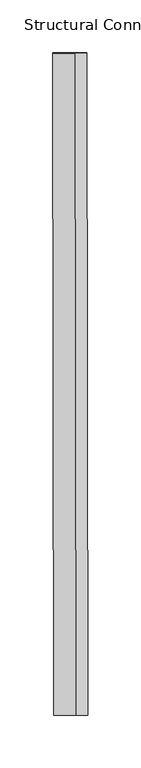
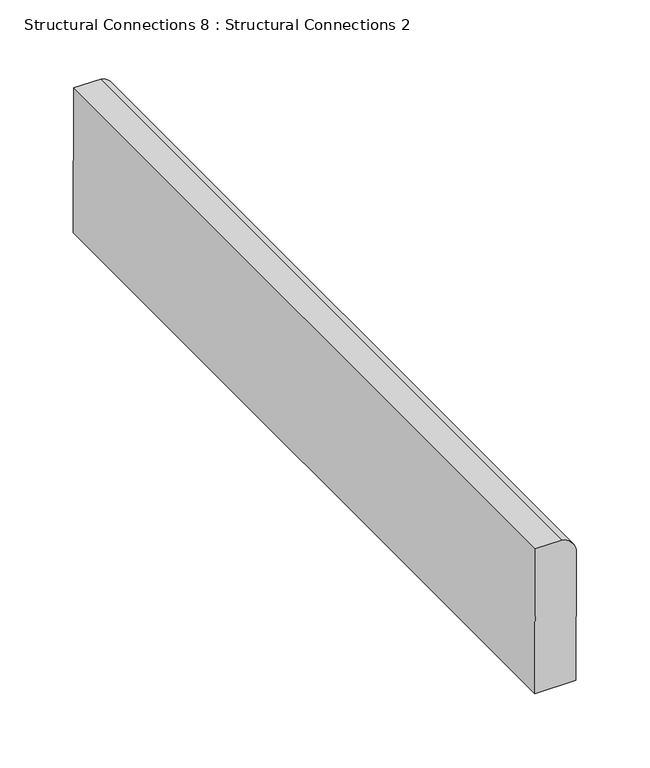
"""IFC4 building model written with IfcOpenShell, lengths in millimetres: fastener geometry, Structural Connections 8 : Structural Connections 2."""

from ifc_helpers import new_model, si_unit, point, frame, frame_2d, origin, place, context, project, spatial, polyline, circle_curve, trimmed, segment, composite_curve, outline, extrude, source, transform, mapped, element, save


def structural_connections_8_structural_connections_2_c1653e5c(model_context):
    return source(origin(), model_context, "Body", "SweptSolid", [
        extrude(outline(composite_curve([segment(polyline([(248.1910111, -4.8811585), (127.4280298, -4.8811586), (127.4280298, 27.4393792), (233.0146592, 27.4393792)]), True, "CONTINUOUS"), segment(trimmed(circle_curve(frame_2d((234.052079, 13.0105157)), 14.4661101), [point((233.0146592, 27.4393792))], [point((248.1910111, 16.0697547))], False, "CARTESIAN"), True, "CONTINUOUS"), segment(polyline([(248.1910111, 16.0697547), (248.1910111, -4.8811585)]), True, "CONTINUOUS")], self_intersect=False)), frame((-44457.7545111, 49965.4027419, 108110.5716068), z_axis=(-0.0012020412110508717, 0.9999848535153687, 0.005371018225049492), x_axis=(5.635046115123637e-05, -0.00537095436217807, 0.9999855747328883)), (0.0, 0.0, 1.0), 626.6572218),
    ])


if __name__ == "__main__":
    model = new_model("IFC4")
    model_context = context("Model", 3, world=origin())
    ifc_project = project(units=[si_unit("LENGTHUNIT", "METRE", prefix="MILLI")], contexts=[model_context])
    site = spatial("IfcSite", under=ifc_project)
    building = spatial("IfcBuilding", under=site)
    placement = place(None, origin())
    structural_connections_8_structural_connections_2_shape = structural_connections_8_structural_connections_2_c1653e5c(model_context)
    element("IfcFastener", 1, ObjectType="Structural Connections 8 : Structural Connections 2", at=placement, inside=building, context=model_context, shape_type="MappedRepresentation", body=[
        mapped(structural_connections_8_structural_connections_2_shape, transform((0.0, 0.0, 0.0), x_axis=(1.0, 0.0, 0.0), y_axis=(0.0, 1.0, 0.0), z_axis=(0.0, 0.0, 1.0))),
    ])
    save(model, "model.ifc")
